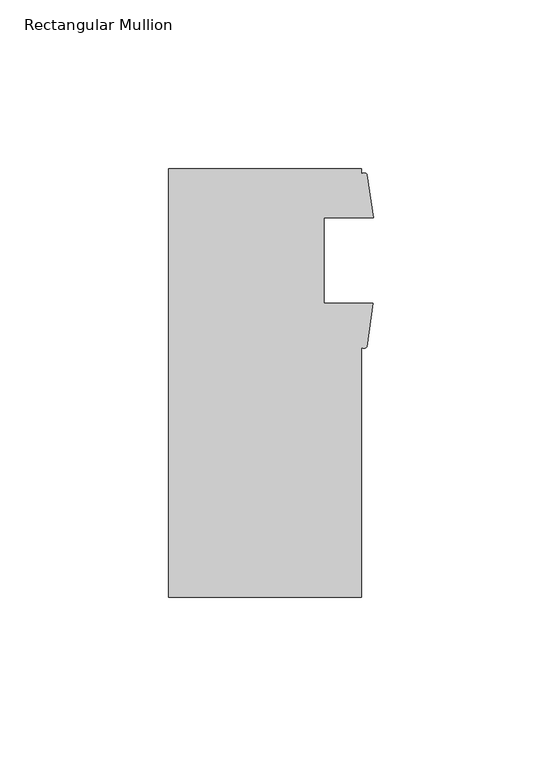
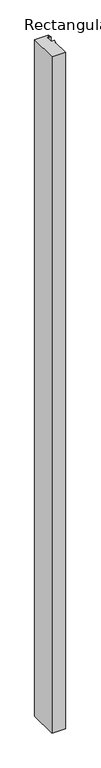
"""IFC4 building model written with IfcOpenShell, lengths in millimetres: member geometry, Rectangular Mullion."""

import ifcopenshell
import ifcopenshell.guid

model = None  # the IFC model being written
_history = None  # IfcOwnerHistory: only IFC2X3 demands one
_inside = {}  # id of a spatial element -> (the spatial element, [elements in it])
_under = {}  # id of a project, library or spatial element -> (it, [spatial elements below it])
_declared = {}  # id of a project -> (the project, [libraries it declares])
_typed = {}  # id of a type object -> (the type object, [elements of that type])
_made_of = {}  # id of a material, layer set ... -> (it, [elements and type objects made of it])


def new_model(schema):
    """Start an empty IFC model of exactly this schema.

    Asked for "IFC4X3", IfcOpenShell would pick the latest addendum, in which some entities
    have other attributes; the version numbers below select the first issue.
    IFC2X3 requires an IfcOwnerHistory on every rooted entity: one is made here for all.
    """
    global model, _history
    if schema == "IFC4X3":
        model = ifcopenshell.file(schema_version=(4, 3, 0, 0))
    else:
        model = ifcopenshell.file(schema=schema)
    _inside.clear()
    _under.clear()
    _declared.clear()
    _typed.clear()
    _made_of.clear()
    _history = None
    if model.schema == "IFC2X3":
        org = make("IfcOrganization", Name="unknown")
        user = make(
            "IfcPersonAndOrganization",
            ThePerson=make("IfcPerson", FamilyName="unknown"),
            TheOrganization=org,
        )
        app = make(
            "IfcApplication",
            ApplicationDeveloper=org,
            Version="unknown",
            ApplicationFullName="unknown",
            ApplicationIdentifier="unknown",
        )
        _history = make(
            "IfcOwnerHistory",
            OwningUser=user,
            OwningApplication=app,
            ChangeAction="ADDED",
            CreationDate=0,
        )
    return model


def make(cls, **values):
    """One entity of the class cls with the attributes given. An attribute that is None is left unset."""
    return model.create_entity(
        cls, **{name: value for name, value in values.items() if value is not None}
    )


def rooted(cls, **values):
    """An entity with a GlobalId (a new one), such as an element, a storey or a relation."""
    return make(cls, GlobalId=ifcopenshell.guid.new(), OwnerHistory=_history, **values)


def si_unit(unit_type, name, prefix=None):
    """IfcSIUnit, for example si_unit("LENGTHUNIT", "METRE", prefix="MILLI")."""
    return make("IfcSIUnit", UnitType=unit_type, Prefix=prefix, Name=name)


def assignment(units):
    """IfcUnitAssignment: the units of a project."""
    return None if units is None else make("IfcUnitAssignment", Units=units)


def point(xyz):
    """IfcCartesianPoint."""
    return None if xyz is None else make("IfcCartesianPoint", Coordinates=xyz)


def direction(xyz):
    """IfcDirection."""
    return None if xyz is None else make("IfcDirection", DirectionRatios=xyz)


def frame(location, z_axis=None, x_axis=None):
    """IfcAxis2Placement3D, a coordinate frame: its origin and axes. An axis left out is left unset."""
    return make(
        "IfcAxis2Placement3D",
        Location=point(location),
        Axis=direction(z_axis),
        RefDirection=direction(x_axis),
    )


def frame_2d(location, x_axis=None):
    """IfcAxis2Placement2D, a coordinate frame in the plane: its origin and x axis."""
    return make(
        "IfcAxis2Placement2D", Location=point(location), RefDirection=direction(x_axis)
    )


def origin():
    """The frame at (0, 0, 0) with its axes left unset."""
    return frame((0.0, 0.0, 0.0))


def place(relative_to, where):
    """IfcLocalPlacement: puts the frame where relative to a parent placement (None: the world)."""
    return make(
        "IfcLocalPlacement", PlacementRelTo=relative_to, RelativePlacement=where
    )


def context(
    kind, dimensions, precision=None, world=None, true_north=None, identifier=None
):
    """IfcGeometricRepresentationContext, for example the 3D "Model" context."""
    return make(
        "IfcGeometricRepresentationContext",
        ContextIdentifier=identifier,
        ContextType=kind,
        CoordinateSpaceDimension=dimensions,
        Precision=precision,
        WorldCoordinateSystem=world,
        TrueNorth=true_north,
    )


def project(units=None, contexts=None):
    """IfcProject with its units and contexts."""
    return rooted(
        "IfcProject",
        Name="project",
        RepresentationContexts=contexts,
        UnitsInContext=assignment(units),
    )


def spatial(cls, under=None, at=None, **own):
    """A site, building, storey or space (cls), placed at a placement, below another one or the project."""
    s = rooted(cls, ObjectPlacement=at, **own)
    if under is not None:
        _under.setdefault(under.id(), (under, []))[1].append(s)
    return s


def polyline(points):
    """IfcPolyline through the points."""
    return make("IfcPolyline", Points=[point(p) for p in points])


def circle_curve(where, radius):
    """IfcCircle in the frame where."""
    return make("IfcCircle", Position=where, Radius=radius)


def trimmed(basis, trim1, trim2, sense, master):
    """IfcTrimmedCurve: the piece of a basis curve between two trims."""
    return make(
        "IfcTrimmedCurve",
        BasisCurve=basis,
        Trim1=trim1,
        Trim2=trim2,
        SenseAgreement=sense,
        MasterRepresentation=master,
    )


def segment(curve, same_sense, transition):
    """IfcCompositeCurveSegment."""
    return make(
        "IfcCompositeCurveSegment",
        Transition=transition,
        SameSense=same_sense,
        ParentCurve=curve,
    )


def composite_curve(segments, self_intersect=None):
    """IfcCompositeCurve: segments joined end to end."""
    return make("IfcCompositeCurve", Segments=segments, SelfIntersect=self_intersect)


def outline(outer, holes=None, kind="AREA"):
    """IfcArbitraryClosedProfileDef: a profile drawn as a closed curve; with holes, ...WithVoids."""
    if holes is None:
        return make("IfcArbitraryClosedProfileDef", ProfileType=kind, OuterCurve=outer)
    return make(
        "IfcArbitraryProfileDefWithVoids",
        ProfileType=kind,
        OuterCurve=outer,
        InnerCurves=holes,
    )


def extrude(swept, where, along, depth):
    """IfcExtrudedAreaSolid: the profile swept, set in the frame where, extruded along a direction by depth."""
    return make(
        "IfcExtrudedAreaSolid",
        SweptArea=swept,
        Position=where,
        ExtrudedDirection=direction(along),
        Depth=depth,
    )


def shape(context_of_items, identifier, shape_type, items):
    """IfcShapeRepresentation: the items that make up one representation, for example the "Body"."""
    return make(
        "IfcShapeRepresentation",
        ContextOfItems=context_of_items,
        RepresentationIdentifier=identifier,
        RepresentationType=shape_type,
        Items=items,
    )


def source(mapping_origin, context_of_items, identifier, shape_type, items):
    """IfcRepresentationMap: a shape defined once, which mapped items show again and again."""
    return make(
        "IfcRepresentationMap",
        MappingOrigin=mapping_origin,
        MappedRepresentation=shape(context_of_items, identifier, shape_type, items),
    )


def transform(
    local_origin,
    x_axis=None,
    y_axis=None,
    z_axis=None,
    scale=None,
    scale2=None,
    scale3=None,
    uniform=True,
):
    """IfcCartesianTransformationOperator3D, or its non-uniform kind. x_axis, y_axis, z_axis: its Axis1, 2, 3."""
    if uniform:
        return make(
            "IfcCartesianTransformationOperator3D",
            Axis1=direction(x_axis),
            Axis2=direction(y_axis),
            LocalOrigin=point(local_origin),
            Scale=scale,
            Axis3=direction(z_axis),
        )
    return make(
        "IfcCartesianTransformationOperator3DnonUniform",
        Axis1=direction(x_axis),
        Axis2=direction(y_axis),
        LocalOrigin=point(local_origin),
        Scale=scale,
        Axis3=direction(z_axis),
        Scale2=scale2,
        Scale3=scale3,
    )


def mapped(mapping_source, mapping_target):
    """IfcMappedItem: shows the shape of a source again, moved by a transform."""
    return make(
        "IfcMappedItem", MappingSource=mapping_source, MappingTarget=mapping_target
    )


def made_of(thing, what):
    """Note that an element or type object is made of a material, layer set ...; save() writes the relation."""
    if what is not None:
        _made_of.setdefault(what.id(), (what, []))[1].append(thing)
    return thing


def element(
    cls,
    number,
    at=None,
    inside=None,
    cuts=None,
    type_object=None,
    material=None,
    context=None,
    identifier="Body",
    shape_type=None,
    held_by="IfcProductDefinitionShape",
    body=None,
    shapes=None,
    **own,
):
    """One element of the class cls, such as IfcWall. Its Tag is "e" and its number.

    at: its placement. inside: the storey or other place that contains it. cuts: it is an
    opening in that element (IfcRelVoidsElement). A single representation is given by context,
    identifier, shape_type and body (its items); several are given by shapes. held_by: the class
    of the entity that holds the representations. save() writes the other relations.
    """
    e = rooted(cls, Tag="e%d" % number, ObjectPlacement=at, **own)
    if body is not None:
        shapes = [shape(context, identifier, shape_type, body)]
    if shapes is not None:
        e.Representation = make(held_by, Representations=shapes)
    if inside is not None:
        _inside.setdefault(inside.id(), (inside, []))[1].append(e)
    if cuts is not None:
        rooted(
            "IfcRelVoidsElement", RelatingBuildingElement=cuts, RelatedOpeningElement=e
        )
    if type_object is not None:
        _typed.setdefault(type_object.id(), (type_object, []))[1].append(e)
    return made_of(e, material)


def aggregate(whole, parts):
    """IfcRelAggregates: a whole, such as a stair, and the parts it consists of."""
    return rooted("IfcRelAggregates", RelatingObject=whole, RelatedObjects=parts)


def save(model, path):
    """Write the relations noted so far, then the file.

    IfcRelAggregates (storeys below a building ...), IfcRelContainedInSpatialStructure (elements
    in a storey), IfcRelDefinesByType, IfcRelAssociatesMaterial and IfcRelDeclares: one each for
    every whole, place, type object, material and project.
    """
    for whole, parts in _under.values():
        aggregate(whole, parts)
    for where, things in _inside.values():
        rooted(
            "IfcRelContainedInSpatialStructure",
            RelatedElements=things,
            RelatingStructure=where,
        )
    for kind, things in _typed.values():
        rooted("IfcRelDefinesByType", RelatedObjects=things, RelatingType=kind)
    for what, things in _made_of.values():
        rooted("IfcRelAssociatesMaterial", RelatedObjects=things, RelatingMaterial=what)
    for by, libraries in _declared.values():
        rooted("IfcRelDeclares", RelatingContext=by, RelatedDefinitions=libraries)
    model.write(path)


def rectangular_mullion_10636a94(model_context):
    return source(origin(), model_context, "Body", "SweptSolid", [
        extrude(outline(composite_curve([segment(polyline([(-60.6695217, 60.7587684), (-3.5195217, 60.7587684), (-3.5195217, 58.9552434)]), True, "CONTINUOUS"), segment(trimmed(circle_curve(frame_2d((-2.6825117, 58.610297)), 0.9053032), [point((-3.5195217, 58.9552434))], [point((-1.8455017, 58.9552434))], False, "CARTESIAN"), True, "CONTINUOUS"), segment(polyline([(-1.8455017, 58.9552434), (0.0, 46.2552434), (-14.6320217, 46.2552434), (-14.6320217, 20.8552434), (-0.1235217, 20.8552434), (-1.9336255, 8.0839559)]), True, "CONTINUOUS"), segment(trimmed(circle_curve(frame_2d((-2.7265736, 8.4764877)), 0.8847869), [point((-1.9336255, 8.0839559))], [point((-3.5195217, 8.0839559))], False, "CARTESIAN"), True, "CONTINUOUS"), segment(polyline([(-3.5195217, 8.0839559), (-3.5195217, -66.2412316), (-60.6695217, -66.2412316), (-60.6695217, 60.7587684)]), True, "CONTINUOUS")], self_intersect=False)), frame((0.0, 0.0, -3048.0), z_axis=(0.0, 0.0, 1.0), x_axis=(1.0, 0.0, 0.0)), (0.0, 0.0, 1.0), 3048.0),
    ])


if __name__ == "__main__":
    model = new_model("IFC4")
    model_context = context("Model", 3, world=origin())
    ifc_project = project(units=[si_unit("LENGTHUNIT", "METRE", prefix="MILLI")], contexts=[model_context])
    site = spatial("IfcSite", under=ifc_project)
    building = spatial("IfcBuilding", under=site)
    placement = place(None, origin())
    rectangular_mullion_shape = rectangular_mullion_10636a94(model_context)
    element("IfcMember", 1, ObjectType="Rectangular Mullion", at=placement, inside=building, context=model_context, shape_type="MappedRepresentation", body=[
        mapped(rectangular_mullion_shape, transform((0.0, 0.0, 0.0), x_axis=(1.0, 0.0, 0.0), y_axis=(0.0, 1.0, 0.0), z_axis=(0.0, 0.0, 1.0))),
    ])
    save(model, "model.ifc")
